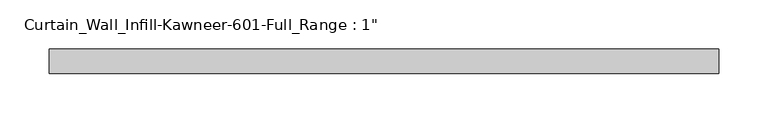
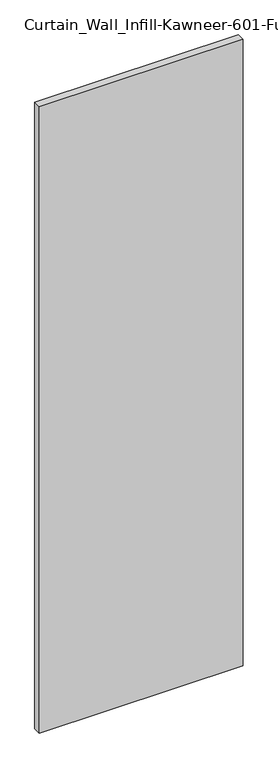
"""IFC4 building model written with IfcOpenShell, lengths in millimetres: plate geometry."""

import ifcopenshell
import ifcopenshell.guid

model = None  # the IFC model being written
_history = None  # IfcOwnerHistory: only IFC2X3 demands one
_inside = {}  # id of a spatial element -> (the spatial element, [elements in it])
_under = {}  # id of a project, library or spatial element -> (it, [spatial elements below it])
_declared = {}  # id of a project -> (the project, [libraries it declares])
_typed = {}  # id of a type object -> (the type object, [elements of that type])
_made_of = {}  # id of a material, layer set ... -> (it, [elements and type objects made of it])


def new_model(schema):
    """Start an empty IFC model of exactly this schema.

    Asked for "IFC4X3", IfcOpenShell would pick the latest addendum, in which some entities
    have other attributes; the version numbers below select the first issue.
    IFC2X3 requires an IfcOwnerHistory on every rooted entity: one is made here for all.
    """
    global model, _history
    if schema == "IFC4X3":
        model = ifcopenshell.file(schema_version=(4, 3, 0, 0))
    else:
        model = ifcopenshell.file(schema=schema)
    _inside.clear()
    _under.clear()
    _declared.clear()
    _typed.clear()
    _made_of.clear()
    _history = None
    if model.schema == "IFC2X3":
        org = make("IfcOrganization", Name="unknown")
        user = make(
            "IfcPersonAndOrganization",
            ThePerson=make("IfcPerson", FamilyName="unknown"),
            TheOrganization=org,
        )
        app = make(
            "IfcApplication",
            ApplicationDeveloper=org,
            Version="unknown",
            ApplicationFullName="unknown",
            ApplicationIdentifier="unknown",
        )
        _history = make(
            "IfcOwnerHistory",
            OwningUser=user,
            OwningApplication=app,
            ChangeAction="ADDED",
            CreationDate=0,
        )
    return model


def make(cls, **values):
    """One entity of the class cls with the attributes given. An attribute that is None is left unset."""
    return model.create_entity(
        cls, **{name: value for name, value in values.items() if value is not None}
    )


def rooted(cls, **values):
    """An entity with a GlobalId (a new one), such as an element, a storey or a relation."""
    return make(cls, GlobalId=ifcopenshell.guid.new(), OwnerHistory=_history, **values)


def si_unit(unit_type, name, prefix=None):
    """IfcSIUnit, for example si_unit("LENGTHUNIT", "METRE", prefix="MILLI")."""
    return make("IfcSIUnit", UnitType=unit_type, Prefix=prefix, Name=name)


def assignment(units):
    """IfcUnitAssignment: the units of a project."""
    return None if units is None else make("IfcUnitAssignment", Units=units)


def point(xyz):
    """IfcCartesianPoint."""
    return None if xyz is None else make("IfcCartesianPoint", Coordinates=xyz)


def direction(xyz):
    """IfcDirection."""
    return None if xyz is None else make("IfcDirection", DirectionRatios=xyz)


def frame(location, z_axis=None, x_axis=None):
    """IfcAxis2Placement3D, a coordinate frame: its origin and axes. An axis left out is left unset."""
    return make(
        "IfcAxis2Placement3D",
        Location=point(location),
        Axis=direction(z_axis),
        RefDirection=direction(x_axis),
    )


def origin():
    """The frame at (0, 0, 0) with its axes left unset."""
    return frame((0.0, 0.0, 0.0))


def origin_with_axes():
    """The frame at (0, 0, 0) with the z axis (0, 0, 1) and the x axis (1, 0, 0) written out."""
    return frame((0.0, 0.0, 0.0), z_axis=(0.0, 0.0, 1.0), x_axis=(1.0, 0.0, 0.0))


def place(relative_to, where):
    """IfcLocalPlacement: puts the frame where relative to a parent placement (None: the world)."""
    return make(
        "IfcLocalPlacement", PlacementRelTo=relative_to, RelativePlacement=where
    )


def context(
    kind, dimensions, precision=None, world=None, true_north=None, identifier=None
):
    """IfcGeometricRepresentationContext, for example the 3D "Model" context."""
    return make(
        "IfcGeometricRepresentationContext",
        ContextIdentifier=identifier,
        ContextType=kind,
        CoordinateSpaceDimension=dimensions,
        Precision=precision,
        WorldCoordinateSystem=world,
        TrueNorth=true_north,
    )


def project(units=None, contexts=None):
    """IfcProject with its units and contexts."""
    return rooted(
        "IfcProject",
        Name="project",
        RepresentationContexts=contexts,
        UnitsInContext=assignment(units),
    )


def spatial(cls, under=None, at=None, **own):
    """A site, building, storey or space (cls), placed at a placement, below another one or the project."""
    s = rooted(cls, ObjectPlacement=at, **own)
    if under is not None:
        _under.setdefault(under.id(), (under, []))[1].append(s)
    return s


def polyline(points):
    """IfcPolyline through the points."""
    return make("IfcPolyline", Points=[point(p) for p in points])


def outline(outer, holes=None, kind="AREA"):
    """IfcArbitraryClosedProfileDef: a profile drawn as a closed curve; with holes, ...WithVoids."""
    if holes is None:
        return make("IfcArbitraryClosedProfileDef", ProfileType=kind, OuterCurve=outer)
    return make(
        "IfcArbitraryProfileDefWithVoids",
        ProfileType=kind,
        OuterCurve=outer,
        InnerCurves=holes,
    )


def extrude(swept, where, along, depth):
    """IfcExtrudedAreaSolid: the profile swept, set in the frame where, extruded along a direction by depth."""
    return make(
        "IfcExtrudedAreaSolid",
        SweptArea=swept,
        Position=where,
        ExtrudedDirection=direction(along),
        Depth=depth,
    )


def shape(context_of_items, identifier, shape_type, items):
    """IfcShapeRepresentation: the items that make up one representation, for example the "Body"."""
    return make(
        "IfcShapeRepresentation",
        ContextOfItems=context_of_items,
        RepresentationIdentifier=identifier,
        RepresentationType=shape_type,
        Items=items,
    )


def source(mapping_origin, context_of_items, identifier, shape_type, items):
    """IfcRepresentationMap: a shape defined once, which mapped items show again and again."""
    return make(
        "IfcRepresentationMap",
        MappingOrigin=mapping_origin,
        MappedRepresentation=shape(context_of_items, identifier, shape_type, items),
    )


def transform(
    local_origin,
    x_axis=None,
    y_axis=None,
    z_axis=None,
    scale=None,
    scale2=None,
    scale3=None,
    uniform=True,
):
    """IfcCartesianTransformationOperator3D, or its non-uniform kind. x_axis, y_axis, z_axis: its Axis1, 2, 3."""
    if uniform:
        return make(
            "IfcCartesianTransformationOperator3D",
            Axis1=direction(x_axis),
            Axis2=direction(y_axis),
            LocalOrigin=point(local_origin),
            Scale=scale,
            Axis3=direction(z_axis),
        )
    return make(
        "IfcCartesianTransformationOperator3DnonUniform",
        Axis1=direction(x_axis),
        Axis2=direction(y_axis),
        LocalOrigin=point(local_origin),
        Scale=scale,
        Axis3=direction(z_axis),
        Scale2=scale2,
        Scale3=scale3,
    )


def mapped(mapping_source, mapping_target):
    """IfcMappedItem: shows the shape of a source again, moved by a transform."""
    return make(
        "IfcMappedItem", MappingSource=mapping_source, MappingTarget=mapping_target
    )


def made_of(thing, what):
    """Note that an element or type object is made of a material, layer set ...; save() writes the relation."""
    if what is not None:
        _made_of.setdefault(what.id(), (what, []))[1].append(thing)
    return thing


def element(
    cls,
    number,
    at=None,
    inside=None,
    cuts=None,
    type_object=None,
    material=None,
    context=None,
    identifier="Body",
    shape_type=None,
    held_by="IfcProductDefinitionShape",
    body=None,
    shapes=None,
    **own,
):
    """One element of the class cls, such as IfcWall. Its Tag is "e" and its number.

    at: its placement. inside: the storey or other place that contains it. cuts: it is an
    opening in that element (IfcRelVoidsElement). A single representation is given by context,
    identifier, shape_type and body (its items); several are given by shapes. held_by: the class
    of the entity that holds the representations. save() writes the other relations.
    """
    e = rooted(cls, Tag="e%d" % number, ObjectPlacement=at, **own)
    if body is not None:
        shapes = [shape(context, identifier, shape_type, body)]
    if shapes is not None:
        e.Representation = make(held_by, Representations=shapes)
    if inside is not None:
        _inside.setdefault(inside.id(), (inside, []))[1].append(e)
    if cuts is not None:
        rooted(
            "IfcRelVoidsElement", RelatingBuildingElement=cuts, RelatedOpeningElement=e
        )
    if type_object is not None:
        _typed.setdefault(type_object.id(), (type_object, []))[1].append(e)
    return made_of(e, material)


def aggregate(whole, parts):
    """IfcRelAggregates: a whole, such as a stair, and the parts it consists of."""
    return rooted("IfcRelAggregates", RelatingObject=whole, RelatedObjects=parts)


def save(model, path):
    """Write the relations noted so far, then the file.

    IfcRelAggregates (storeys below a building ...), IfcRelContainedInSpatialStructure (elements
    in a storey), IfcRelDefinesByType, IfcRelAssociatesMaterial and IfcRelDeclares: one each for
    every whole, place, type object, material and project.
    """
    for whole, parts in _under.values():
        aggregate(whole, parts)
    for where, things in _inside.values():
        rooted(
            "IfcRelContainedInSpatialStructure",
            RelatedElements=things,
            RelatingStructure=where,
        )
    for kind, things in _typed.values():
        rooted("IfcRelDefinesByType", RelatedObjects=things, RelatingType=kind)
    for what, things in _made_of.values():
        rooted("IfcRelAssociatesMaterial", RelatedObjects=things, RelatingMaterial=what)
    for by, libraries in _declared.values():
        rooted("IfcRelDeclares", RelatingContext=by, RelatedDefinitions=libraries)
    model.write(path)


def plate_592ddd22(model_context):
    return source(origin(), model_context, "Body", "SweptSolid", [
        extrude(outline(polyline([(-341.3125, 12.7), (341.3125, 12.7), (341.3125, -12.7), (-341.3125, -12.7), (-341.3125, 12.7)])), origin_with_axes(), (0.0, 0.0, 1.0), 2216.15),
    ])


if __name__ == "__main__":
    model = new_model("IFC4")
    model_context = context("Model", 3, world=origin())
    ifc_project = project(units=[si_unit("LENGTHUNIT", "METRE", prefix="MILLI")], contexts=[model_context])
    site = spatial("IfcSite", under=ifc_project)
    building = spatial("IfcBuilding", under=site)
    placement = place(None, origin())
    plate_shape = plate_592ddd22(model_context)
    element("IfcPlate", 1, ObjectType="Curtain_Wall_Infill-Kawneer-601-Full_Range : 1\"", at=placement, inside=building, context=model_context, shape_type="MappedRepresentation", body=[
        mapped(plate_shape, transform((0.0, 0.0, 0.0), x_axis=(1.0, 0.0, 0.0), y_axis=(0.0, 1.0, 0.0), z_axis=(0.0, 0.0, 1.0))),
    ])
    save(model, "model.ifc")
